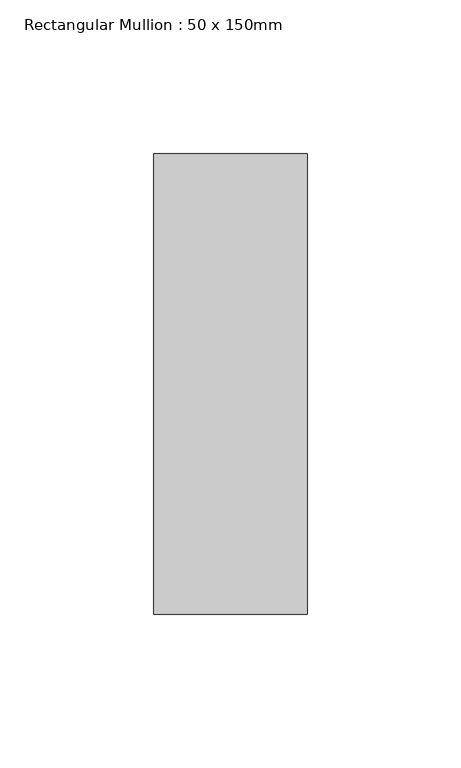
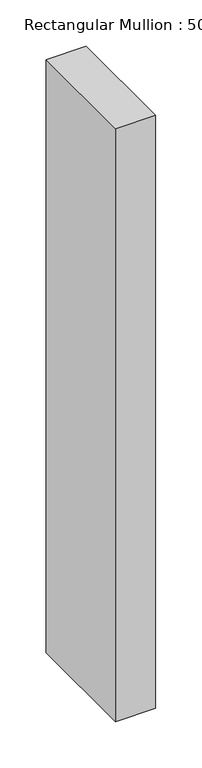
"""IFC4 building model written with IfcOpenShell, lengths in millimetres: member geometry, Rectangular Mullion : 50 x 150mm."""

import ifcopenshell
import ifcopenshell.guid

model = None  # the IFC model being written
_history = None  # IfcOwnerHistory: only IFC2X3 demands one
_inside = {}  # id of a spatial element -> (the spatial element, [elements in it])
_under = {}  # id of a project, library or spatial element -> (it, [spatial elements below it])
_declared = {}  # id of a project -> (the project, [libraries it declares])
_typed = {}  # id of a type object -> (the type object, [elements of that type])
_made_of = {}  # id of a material, layer set ... -> (it, [elements and type objects made of it])


def new_model(schema):
    """Start an empty IFC model of exactly this schema.

    Asked for "IFC4X3", IfcOpenShell would pick the latest addendum, in which some entities
    have other attributes; the version numbers below select the first issue.
    IFC2X3 requires an IfcOwnerHistory on every rooted entity: one is made here for all.
    """
    global model, _history
    if schema == "IFC4X3":
        model = ifcopenshell.file(schema_version=(4, 3, 0, 0))
    else:
        model = ifcopenshell.file(schema=schema)
    _inside.clear()
    _under.clear()
    _declared.clear()
    _typed.clear()
    _made_of.clear()
    _history = None
    if model.schema == "IFC2X3":
        org = make("IfcOrganization", Name="unknown")
        user = make(
            "IfcPersonAndOrganization",
            ThePerson=make("IfcPerson", FamilyName="unknown"),
            TheOrganization=org,
        )
        app = make(
            "IfcApplication",
            ApplicationDeveloper=org,
            Version="unknown",
            ApplicationFullName="unknown",
            ApplicationIdentifier="unknown",
        )
        _history = make(
            "IfcOwnerHistory",
            OwningUser=user,
            OwningApplication=app,
            ChangeAction="ADDED",
            CreationDate=0,
        )
    return model


def make(cls, **values):
    """One entity of the class cls with the attributes given. An attribute that is None is left unset."""
    return model.create_entity(
        cls, **{name: value for name, value in values.items() if value is not None}
    )


def rooted(cls, **values):
    """An entity with a GlobalId (a new one), such as an element, a storey or a relation."""
    return make(cls, GlobalId=ifcopenshell.guid.new(), OwnerHistory=_history, **values)


def si_unit(unit_type, name, prefix=None):
    """IfcSIUnit, for example si_unit("LENGTHUNIT", "METRE", prefix="MILLI")."""
    return make("IfcSIUnit", UnitType=unit_type, Prefix=prefix, Name=name)


def assignment(units):
    """IfcUnitAssignment: the units of a project."""
    return None if units is None else make("IfcUnitAssignment", Units=units)


def point(xyz):
    """IfcCartesianPoint."""
    return None if xyz is None else make("IfcCartesianPoint", Coordinates=xyz)


def direction(xyz):
    """IfcDirection."""
    return None if xyz is None else make("IfcDirection", DirectionRatios=xyz)


def frame(location, z_axis=None, x_axis=None):
    """IfcAxis2Placement3D, a coordinate frame: its origin and axes. An axis left out is left unset."""
    return make(
        "IfcAxis2Placement3D",
        Location=point(location),
        Axis=direction(z_axis),
        RefDirection=direction(x_axis),
    )


def origin():
    """The frame at (0, 0, 0) with its axes left unset."""
    return frame((0.0, 0.0, 0.0))


def place(relative_to, where):
    """IfcLocalPlacement: puts the frame where relative to a parent placement (None: the world)."""
    return make(
        "IfcLocalPlacement", PlacementRelTo=relative_to, RelativePlacement=where
    )


def context(
    kind, dimensions, precision=None, world=None, true_north=None, identifier=None
):
    """IfcGeometricRepresentationContext, for example the 3D "Model" context."""
    return make(
        "IfcGeometricRepresentationContext",
        ContextIdentifier=identifier,
        ContextType=kind,
        CoordinateSpaceDimension=dimensions,
        Precision=precision,
        WorldCoordinateSystem=world,
        TrueNorth=true_north,
    )


def project(units=None, contexts=None):
    """IfcProject with its units and contexts."""
    return rooted(
        "IfcProject",
        Name="project",
        RepresentationContexts=contexts,
        UnitsInContext=assignment(units),
    )


def spatial(cls, under=None, at=None, **own):
    """A site, building, storey or space (cls), placed at a placement, below another one or the project."""
    s = rooted(cls, ObjectPlacement=at, **own)
    if under is not None:
        _under.setdefault(under.id(), (under, []))[1].append(s)
    return s


def polyline(points):
    """IfcPolyline through the points."""
    return make("IfcPolyline", Points=[point(p) for p in points])


def outline(outer, holes=None, kind="AREA"):
    """IfcArbitraryClosedProfileDef: a profile drawn as a closed curve; with holes, ...WithVoids."""
    if holes is None:
        return make("IfcArbitraryClosedProfileDef", ProfileType=kind, OuterCurve=outer)
    return make(
        "IfcArbitraryProfileDefWithVoids",
        ProfileType=kind,
        OuterCurve=outer,
        InnerCurves=holes,
    )


def extrude(swept, where, along, depth):
    """IfcExtrudedAreaSolid: the profile swept, set in the frame where, extruded along a direction by depth."""
    return make(
        "IfcExtrudedAreaSolid",
        SweptArea=swept,
        Position=where,
        ExtrudedDirection=direction(along),
        Depth=depth,
    )


def shape(context_of_items, identifier, shape_type, items):
    """IfcShapeRepresentation: the items that make up one representation, for example the "Body"."""
    return make(
        "IfcShapeRepresentation",
        ContextOfItems=context_of_items,
        RepresentationIdentifier=identifier,
        RepresentationType=shape_type,
        Items=items,
    )


def source(mapping_origin, context_of_items, identifier, shape_type, items):
    """IfcRepresentationMap: a shape defined once, which mapped items show again and again."""
    return make(
        "IfcRepresentationMap",
        MappingOrigin=mapping_origin,
        MappedRepresentation=shape(context_of_items, identifier, shape_type, items),
    )


def transform(
    local_origin,
    x_axis=None,
    y_axis=None,
    z_axis=None,
    scale=None,
    scale2=None,
    scale3=None,
    uniform=True,
):
    """IfcCartesianTransformationOperator3D, or its non-uniform kind. x_axis, y_axis, z_axis: its Axis1, 2, 3."""
    if uniform:
        return make(
            "IfcCartesianTransformationOperator3D",
            Axis1=direction(x_axis),
            Axis2=direction(y_axis),
            LocalOrigin=point(local_origin),
            Scale=scale,
            Axis3=direction(z_axis),
        )
    return make(
        "IfcCartesianTransformationOperator3DnonUniform",
        Axis1=direction(x_axis),
        Axis2=direction(y_axis),
        LocalOrigin=point(local_origin),
        Scale=scale,
        Axis3=direction(z_axis),
        Scale2=scale2,
        Scale3=scale3,
    )


def mapped(mapping_source, mapping_target):
    """IfcMappedItem: shows the shape of a source again, moved by a transform."""
    return make(
        "IfcMappedItem", MappingSource=mapping_source, MappingTarget=mapping_target
    )


def made_of(thing, what):
    """Note that an element or type object is made of a material, layer set ...; save() writes the relation."""
    if what is not None:
        _made_of.setdefault(what.id(), (what, []))[1].append(thing)
    return thing


def element(
    cls,
    number,
    at=None,
    inside=None,
    cuts=None,
    type_object=None,
    material=None,
    context=None,
    identifier="Body",
    shape_type=None,
    held_by="IfcProductDefinitionShape",
    body=None,
    shapes=None,
    **own,
):
    """One element of the class cls, such as IfcWall. Its Tag is "e" and its number.

    at: its placement. inside: the storey or other place that contains it. cuts: it is an
    opening in that element (IfcRelVoidsElement). A single representation is given by context,
    identifier, shape_type and body (its items); several are given by shapes. held_by: the class
    of the entity that holds the representations. save() writes the other relations.
    """
    e = rooted(cls, Tag="e%d" % number, ObjectPlacement=at, **own)
    if body is not None:
        shapes = [shape(context, identifier, shape_type, body)]
    if shapes is not None:
        e.Representation = make(held_by, Representations=shapes)
    if inside is not None:
        _inside.setdefault(inside.id(), (inside, []))[1].append(e)
    if cuts is not None:
        rooted(
            "IfcRelVoidsElement", RelatingBuildingElement=cuts, RelatedOpeningElement=e
        )
    if type_object is not None:
        _typed.setdefault(type_object.id(), (type_object, []))[1].append(e)
    return made_of(e, material)


def aggregate(whole, parts):
    """IfcRelAggregates: a whole, such as a stair, and the parts it consists of."""
    return rooted("IfcRelAggregates", RelatingObject=whole, RelatedObjects=parts)


def save(model, path):
    """Write the relations noted so far, then the file.

    IfcRelAggregates (storeys below a building ...), IfcRelContainedInSpatialStructure (elements
    in a storey), IfcRelDefinesByType, IfcRelAssociatesMaterial and IfcRelDeclares: one each for
    every whole, place, type object, material and project.
    """
    for whole, parts in _under.values():
        aggregate(whole, parts)
    for where, things in _inside.values():
        rooted(
            "IfcRelContainedInSpatialStructure",
            RelatedElements=things,
            RelatingStructure=where,
        )
    for kind, things in _typed.values():
        rooted("IfcRelDefinesByType", RelatedObjects=things, RelatingType=kind)
    for what, things in _made_of.values():
        rooted("IfcRelAssociatesMaterial", RelatedObjects=things, RelatingMaterial=what)
    for by, libraries in _declared.values():
        rooted("IfcRelDeclares", RelatingContext=by, RelatedDefinitions=libraries)
    model.write(path)


def rectangular_mullion_50_x_150mm_55dc3eab(model_context):
    return source(origin(), model_context, "Body", "SweptSolid", [
        extrude(outline(polyline([(0.0, 75.0), (0.0, -75.0), (-50.0, -75.0), (-50.0, 75.0), (0.0, 75.0)])), frame((0.0, 0.0, -781.4398953), z_axis=(0.0, 0.0, 1.0), x_axis=(1.0, 0.0, 0.0)), (0.0, 0.0, 1.0), 781.4398953),
    ])


if __name__ == "__main__":
    model = new_model("IFC4")
    model_context = context("Model", 3, world=origin())
    ifc_project = project(units=[si_unit("LENGTHUNIT", "METRE", prefix="MILLI")], contexts=[model_context])
    site = spatial("IfcSite", under=ifc_project)
    building = spatial("IfcBuilding", under=site)
    placement = place(None, origin())
    rectangular_mullion_50_x_150mm_shape = rectangular_mullion_50_x_150mm_55dc3eab(model_context)
    element("IfcMember", 1, ObjectType="Rectangular Mullion : 50 x 150mm", at=placement, inside=building, context=model_context, shape_type="MappedRepresentation", body=[
        mapped(rectangular_mullion_50_x_150mm_shape, transform((0.0, 0.0, 0.0), x_axis=(1.0, 0.0, 0.0), y_axis=(0.0, 1.0, 0.0), z_axis=(0.0, 0.0, 1.0))),
    ])
    save(model, "model.ifc")
